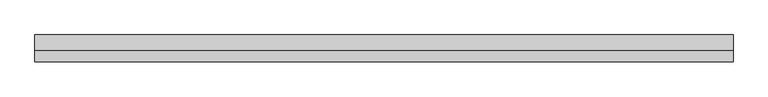
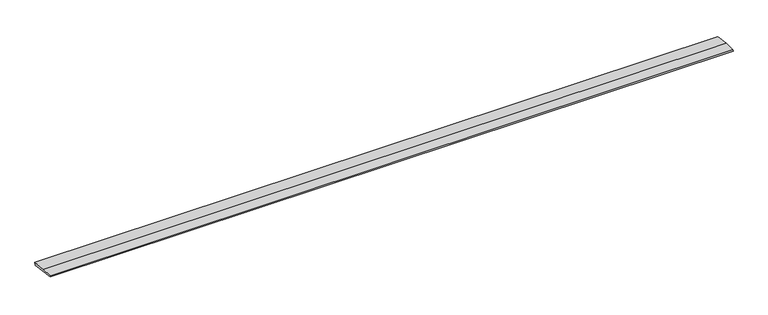
"""IFC4 building model written with IfcOpenShell, lengths in millimetres: beam geometry."""

from ifc_helpers import new_model, si_unit, frame, origin, place, context, project, spatial, polyline, outline, extrude, source, transform, mapped, element, save


def beam_f31299b4(model_context):
    return source(origin(), model_context, "Body", "SweptSolid", [
        extrude(outline(polyline([(0.0, -9.143159), (1.1226388, 0.0), (79.0749747, 0.0), (180.9387048, -12.5072934), (178.6231873, -31.3656703), (0.0, -9.143159)])), frame((-2340.4386799, 0.0, 0.0), z_axis=(1.0, 0.0, 0.0), x_axis=(0.0, 1.0, 0.0)), (0.0, 0.0, 1.0), 4680.8773598),
    ])


if __name__ == "__main__":
    model = new_model("IFC4")
    model_context = context("Model", 3, world=origin())
    ifc_project = project(units=[si_unit("LENGTHUNIT", "METRE", prefix="MILLI")], contexts=[model_context])
    site = spatial("IfcSite", under=ifc_project)
    building = spatial("IfcBuilding", under=site)
    placement = place(None, origin())
    beam_shape = beam_f31299b4(model_context)
    element("IfcBeam", 1, at=placement, inside=building, context=model_context, shape_type="MappedRepresentation", body=[
        mapped(beam_shape, transform((0.0, 0.0, 0.0), x_axis=(1.0, 0.0, 0.0), y_axis=(0.0, 1.0, 0.0), z_axis=(0.0, 0.0, 1.0))),
    ])
    save(model, "model.ifc")
